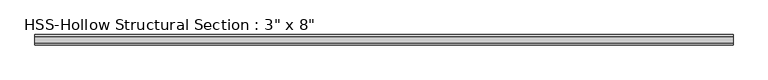
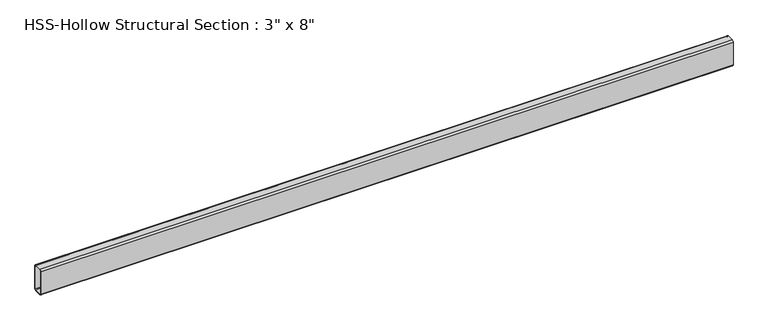
"""IFC4 building model written with IfcOpenShell, lengths in millimetres: beam geometry."""

import ifcopenshell
import ifcopenshell.guid

model = None  # the IFC model being written
_history = None  # IfcOwnerHistory: only IFC2X3 demands one
_inside = {}  # id of a spatial element -> (the spatial element, [elements in it])
_under = {}  # id of a project, library or spatial element -> (it, [spatial elements below it])
_declared = {}  # id of a project -> (the project, [libraries it declares])
_typed = {}  # id of a type object -> (the type object, [elements of that type])
_made_of = {}  # id of a material, layer set ... -> (it, [elements and type objects made of it])


def new_model(schema):
    """Start an empty IFC model of exactly this schema.

    Asked for "IFC4X3", IfcOpenShell would pick the latest addendum, in which some entities
    have other attributes; the version numbers below select the first issue.
    IFC2X3 requires an IfcOwnerHistory on every rooted entity: one is made here for all.
    """
    global model, _history
    if schema == "IFC4X3":
        model = ifcopenshell.file(schema_version=(4, 3, 0, 0))
    else:
        model = ifcopenshell.file(schema=schema)
    _inside.clear()
    _under.clear()
    _declared.clear()
    _typed.clear()
    _made_of.clear()
    _history = None
    if model.schema == "IFC2X3":
        org = make("IfcOrganization", Name="unknown")
        user = make(
            "IfcPersonAndOrganization",
            ThePerson=make("IfcPerson", FamilyName="unknown"),
            TheOrganization=org,
        )
        app = make(
            "IfcApplication",
            ApplicationDeveloper=org,
            Version="unknown",
            ApplicationFullName="unknown",
            ApplicationIdentifier="unknown",
        )
        _history = make(
            "IfcOwnerHistory",
            OwningUser=user,
            OwningApplication=app,
            ChangeAction="ADDED",
            CreationDate=0,
        )
    return model


def make(cls, **values):
    """One entity of the class cls with the attributes given. An attribute that is None is left unset."""
    return model.create_entity(
        cls, **{name: value for name, value in values.items() if value is not None}
    )


def rooted(cls, **values):
    """An entity with a GlobalId (a new one), such as an element, a storey or a relation."""
    return make(cls, GlobalId=ifcopenshell.guid.new(), OwnerHistory=_history, **values)


def si_unit(unit_type, name, prefix=None):
    """IfcSIUnit, for example si_unit("LENGTHUNIT", "METRE", prefix="MILLI")."""
    return make("IfcSIUnit", UnitType=unit_type, Prefix=prefix, Name=name)


def assignment(units):
    """IfcUnitAssignment: the units of a project."""
    return None if units is None else make("IfcUnitAssignment", Units=units)


def point(xyz):
    """IfcCartesianPoint."""
    return None if xyz is None else make("IfcCartesianPoint", Coordinates=xyz)


def direction(xyz):
    """IfcDirection."""
    return None if xyz is None else make("IfcDirection", DirectionRatios=xyz)


def frame(location, z_axis=None, x_axis=None):
    """IfcAxis2Placement3D, a coordinate frame: its origin and axes. An axis left out is left unset."""
    return make(
        "IfcAxis2Placement3D",
        Location=point(location),
        Axis=direction(z_axis),
        RefDirection=direction(x_axis),
    )


def frame_2d(location, x_axis=None):
    """IfcAxis2Placement2D, a coordinate frame in the plane: its origin and x axis."""
    return make(
        "IfcAxis2Placement2D", Location=point(location), RefDirection=direction(x_axis)
    )


def origin():
    """The frame at (0, 0, 0) with its axes left unset."""
    return frame((0.0, 0.0, 0.0))


def place(relative_to, where):
    """IfcLocalPlacement: puts the frame where relative to a parent placement (None: the world)."""
    return make(
        "IfcLocalPlacement", PlacementRelTo=relative_to, RelativePlacement=where
    )


def context(
    kind, dimensions, precision=None, world=None, true_north=None, identifier=None
):
    """IfcGeometricRepresentationContext, for example the 3D "Model" context."""
    return make(
        "IfcGeometricRepresentationContext",
        ContextIdentifier=identifier,
        ContextType=kind,
        CoordinateSpaceDimension=dimensions,
        Precision=precision,
        WorldCoordinateSystem=world,
        TrueNorth=true_north,
    )


def project(units=None, contexts=None):
    """IfcProject with its units and contexts."""
    return rooted(
        "IfcProject",
        Name="project",
        RepresentationContexts=contexts,
        UnitsInContext=assignment(units),
    )


def spatial(cls, under=None, at=None, **own):
    """A site, building, storey or space (cls), placed at a placement, below another one or the project."""
    s = rooted(cls, ObjectPlacement=at, **own)
    if under is not None:
        _under.setdefault(under.id(), (under, []))[1].append(s)
    return s


def polyline(points):
    """IfcPolyline through the points."""
    return make("IfcPolyline", Points=[point(p) for p in points])


def circle_curve(where, radius):
    """IfcCircle in the frame where."""
    return make("IfcCircle", Position=where, Radius=radius)


def trimmed(basis, trim1, trim2, sense, master):
    """IfcTrimmedCurve: the piece of a basis curve between two trims."""
    return make(
        "IfcTrimmedCurve",
        BasisCurve=basis,
        Trim1=trim1,
        Trim2=trim2,
        SenseAgreement=sense,
        MasterRepresentation=master,
    )


def segment(curve, same_sense, transition):
    """IfcCompositeCurveSegment."""
    return make(
        "IfcCompositeCurveSegment",
        Transition=transition,
        SameSense=same_sense,
        ParentCurve=curve,
    )


def composite_curve(segments, self_intersect=None):
    """IfcCompositeCurve: segments joined end to end."""
    return make("IfcCompositeCurve", Segments=segments, SelfIntersect=self_intersect)


def outline(outer, holes=None, kind="AREA"):
    """IfcArbitraryClosedProfileDef: a profile drawn as a closed curve; with holes, ...WithVoids."""
    if holes is None:
        return make("IfcArbitraryClosedProfileDef", ProfileType=kind, OuterCurve=outer)
    return make(
        "IfcArbitraryProfileDefWithVoids",
        ProfileType=kind,
        OuterCurve=outer,
        InnerCurves=holes,
    )


def extrude(swept, where, along, depth):
    """IfcExtrudedAreaSolid: the profile swept, set in the frame where, extruded along a direction by depth."""
    return make(
        "IfcExtrudedAreaSolid",
        SweptArea=swept,
        Position=where,
        ExtrudedDirection=direction(along),
        Depth=depth,
    )


def shape(context_of_items, identifier, shape_type, items):
    """IfcShapeRepresentation: the items that make up one representation, for example the "Body"."""
    return make(
        "IfcShapeRepresentation",
        ContextOfItems=context_of_items,
        RepresentationIdentifier=identifier,
        RepresentationType=shape_type,
        Items=items,
    )


def source(mapping_origin, context_of_items, identifier, shape_type, items):
    """IfcRepresentationMap: a shape defined once, which mapped items show again and again."""
    return make(
        "IfcRepresentationMap",
        MappingOrigin=mapping_origin,
        MappedRepresentation=shape(context_of_items, identifier, shape_type, items),
    )


def transform(
    local_origin,
    x_axis=None,
    y_axis=None,
    z_axis=None,
    scale=None,
    scale2=None,
    scale3=None,
    uniform=True,
):
    """IfcCartesianTransformationOperator3D, or its non-uniform kind. x_axis, y_axis, z_axis: its Axis1, 2, 3."""
    if uniform:
        return make(
            "IfcCartesianTransformationOperator3D",
            Axis1=direction(x_axis),
            Axis2=direction(y_axis),
            LocalOrigin=point(local_origin),
            Scale=scale,
            Axis3=direction(z_axis),
        )
    return make(
        "IfcCartesianTransformationOperator3DnonUniform",
        Axis1=direction(x_axis),
        Axis2=direction(y_axis),
        LocalOrigin=point(local_origin),
        Scale=scale,
        Axis3=direction(z_axis),
        Scale2=scale2,
        Scale3=scale3,
    )


def mapped(mapping_source, mapping_target):
    """IfcMappedItem: shows the shape of a source again, moved by a transform."""
    return make(
        "IfcMappedItem", MappingSource=mapping_source, MappingTarget=mapping_target
    )


def made_of(thing, what):
    """Note that an element or type object is made of a material, layer set ...; save() writes the relation."""
    if what is not None:
        _made_of.setdefault(what.id(), (what, []))[1].append(thing)
    return thing


def element(
    cls,
    number,
    at=None,
    inside=None,
    cuts=None,
    type_object=None,
    material=None,
    context=None,
    identifier="Body",
    shape_type=None,
    held_by="IfcProductDefinitionShape",
    body=None,
    shapes=None,
    **own,
):
    """One element of the class cls, such as IfcWall. Its Tag is "e" and its number.

    at: its placement. inside: the storey or other place that contains it. cuts: it is an
    opening in that element (IfcRelVoidsElement). A single representation is given by context,
    identifier, shape_type and body (its items); several are given by shapes. held_by: the class
    of the entity that holds the representations. save() writes the other relations.
    """
    e = rooted(cls, Tag="e%d" % number, ObjectPlacement=at, **own)
    if body is not None:
        shapes = [shape(context, identifier, shape_type, body)]
    if shapes is not None:
        e.Representation = make(held_by, Representations=shapes)
    if inside is not None:
        _inside.setdefault(inside.id(), (inside, []))[1].append(e)
    if cuts is not None:
        rooted(
            "IfcRelVoidsElement", RelatingBuildingElement=cuts, RelatedOpeningElement=e
        )
    if type_object is not None:
        _typed.setdefault(type_object.id(), (type_object, []))[1].append(e)
    return made_of(e, material)


def aggregate(whole, parts):
    """IfcRelAggregates: a whole, such as a stair, and the parts it consists of."""
    return rooted("IfcRelAggregates", RelatingObject=whole, RelatedObjects=parts)


def save(model, path):
    """Write the relations noted so far, then the file.

    IfcRelAggregates (storeys below a building ...), IfcRelContainedInSpatialStructure (elements
    in a storey), IfcRelDefinesByType, IfcRelAssociatesMaterial and IfcRelDeclares: one each for
    every whole, place, type object, material and project.
    """
    for whole, parts in _under.values():
        aggregate(whole, parts)
    for where, things in _inside.values():
        rooted(
            "IfcRelContainedInSpatialStructure",
            RelatedElements=things,
            RelatingStructure=where,
        )
    for kind, things in _typed.values():
        rooted("IfcRelDefinesByType", RelatedObjects=things, RelatingType=kind)
    for what, things in _made_of.values():
        rooted("IfcRelAssociatesMaterial", RelatedObjects=things, RelatingMaterial=what)
    for by, libraries in _declared.values():
        rooted("IfcRelDeclares", RelatingContext=by, RelatedDefinitions=libraries)
    model.write(path)


def beam_4922213b(model_context):
    return source(origin(), model_context, "Body", "SweptSolid", [
        extrude(outline(composite_curve([segment(polyline([(38.1, 88.9), (38.1, -88.9)]), True, "CONTINUOUS"), segment(trimmed(circle_curve(frame_2d((25.4, -88.9)), 12.7), [point((38.1, -88.9))], [point((25.4, -101.6))], False, "CARTESIAN"), True, "CONTINUOUS"), segment(polyline([(25.4, -101.6), (-25.4, -101.6)]), True, "CONTINUOUS"), segment(trimmed(circle_curve(frame_2d((-25.4, -88.9)), 12.7), [point((-25.4, -101.6))], [point((-38.1, -88.9))], False, "CARTESIAN"), True, "CONTINUOUS"), segment(polyline([(-38.1, -88.9), (-38.1, 88.9)]), True, "CONTINUOUS"), segment(trimmed(circle_curve(frame_2d((-25.4, 88.9)), 12.7), [point((-38.1, 88.9))], [point((-25.4, 101.6))], False, "CARTESIAN"), True, "CONTINUOUS"), segment(polyline([(-25.4, 101.6), (25.4, 101.6)]), True, "CONTINUOUS"), segment(trimmed(circle_curve(frame_2d((25.4, 88.9)), 12.7), [point((25.4, 101.6))], [point((38.1, 88.9))], False, "CARTESIAN"), True, "CONTINUOUS")], self_intersect=False), holes=[composite_curve([segment(trimmed(circle_curve(frame_2d((-25.4, 88.9)), 6.35), [point((-25.4, 95.25))], [point((-31.75, 88.9))], True, "CARTESIAN"), True, "CONTINUOUS"), segment(polyline([(-31.75, 88.9), (-31.75, -88.9)]), True, "CONTINUOUS"), segment(trimmed(circle_curve(frame_2d((-25.4, -88.9)), 6.35), [point((-31.75, -88.9))], [point((-25.4, -95.25))], True, "CARTESIAN"), True, "CONTINUOUS"), segment(polyline([(-25.4, -95.25), (25.4, -95.25)]), True, "CONTINUOUS"), segment(trimmed(circle_curve(frame_2d((25.4, -88.9)), 6.35), [point((25.4, -95.25))], [point((31.75, -88.9))], True, "CARTESIAN"), True, "CONTINUOUS"), segment(polyline([(31.75, -88.9), (31.75, 88.9)]), True, "CONTINUOUS"), segment(trimmed(circle_curve(frame_2d((25.4, 88.9)), 6.35), [point((31.75, 88.9))], [point((25.4, 95.25))], True, "CARTESIAN"), True, "CONTINUOUS"), segment(polyline([(25.4, 95.25), (-25.4, 95.25)]), True, "CONTINUOUS")], self_intersect=False)]), frame((-2597.0443565, 0.0, 0.0), z_axis=(1.0, 0.0, 0.0), x_axis=(0.0, 1.0, 0.0)), (0.0, 0.0, 1.0), 5194.088713),
    ])


if __name__ == "__main__":
    model = new_model("IFC4")
    model_context = context("Model", 3, world=origin())
    ifc_project = project(units=[si_unit("LENGTHUNIT", "METRE", prefix="MILLI")], contexts=[model_context])
    site = spatial("IfcSite", under=ifc_project)
    building = spatial("IfcBuilding", under=site)
    placement = place(None, origin())
    beam_shape = beam_4922213b(model_context)
    element("IfcBeam", 1, ObjectType="HSS-Hollow Structural Section : 3\" x 8\"", at=placement, inside=building, context=model_context, shape_type="MappedRepresentation", body=[
        mapped(beam_shape, transform((0.0, 0.0, 0.0), x_axis=(1.0, 0.0, 0.0), y_axis=(0.0, 1.0, 0.0), z_axis=(0.0, 0.0, 1.0))),
    ])
    save(model, "model.ifc")
